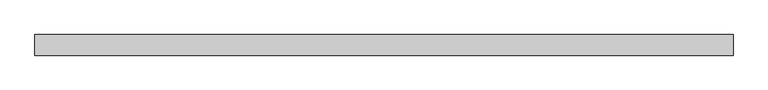
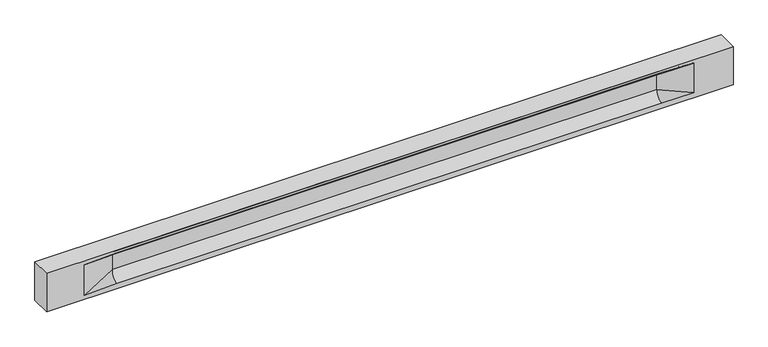
"""IFC4 building model written with IfcOpenShell, lengths in millimetres: beam geometry."""

from ifc_helpers import new_model, si_unit, frame, origin, place, context, project, spatial, polyline, circle_curve, source, transform, mapped, element, save
from ifc_brep_helpers import plane_surface, revolved_surface, spline_surface, advanced_brep


def beam_a02b7bf1(model_context):
    return source(origin(), model_context, "Body", "AdvancedBrep", [
        advanced_brep(
        [(8465.0, -250.0, 500.0), (8465.0, -250.0, -500.0), (8465.0, 250.0, -500.0), (8465.0, 250.0, 500.0), (-8465.0, -250.0, 500.0), (-8465.0, -250.0, -500.0), (7490.0, -250.0, -362.0), (6690.0, -250.0, -360.0), (-6735.0, -250.0, -360.0), (-7535.0, -250.0, -400.0), (-7535.0, -250.0, 400.0), (-6735.0, -250.0, 435.0), (6690.0, -250.0, 435.0), (7490.0, -250.0, 400.0), (-8465.0, 250.0, -500.0), (-8465.0, 250.0, 500.0), (7490.0, 250.0, 400.0), (6690.0, 250.0, 435.0), (-6735.0, 250.0, 435.0), (-7535.0, 250.0, 400.0), (-7535.0, 250.0, -400.0), (-6735.0, 250.0, -360.0), (6690.0, 250.0, -360.0), (7490.0, 250.0, -362.0), (6690.0, 155.0, 405.0), (-6735.0, 155.0, 405.0), (6690.0, 60.0, 262.777021), (-6735.0, 60.0, 262.777021), (6690.0, 60.0, -120.0), (-6735.0, 60.0, -120.0), (6690.0, -60.0, -120.0), (-6735.0, -60.0, -120.0), (6690.0, -60.0, 262.777021), (-6735.0, -60.0, 262.777021), (6690.0, -155.0, 405.0), (-6735.0, -155.0, 405.0)],
        [
            (0, 1),
            (1, 2),
            (2, 3),
            (3, 0),
            (0, 4),
            (4, 5),
            (5, 1),
            (6, 7),
            (7, 8),
            (8, 9),
            (9, 10),
            (10, 11),
            (11, 12),
            (12, 13),
            (13, 6),
            (5, 14),
            (14, 2),
            (14, 15),
            (15, 3),
            (16, 17),
            (17, 18),
            (18, 19),
            (19, 20),
            (20, 21),
            (21, 22),
            (22, 23),
            (23, 16),
            (15, 4),
            (17, 24),
            (24, 25),
            (25, 18),
            (24, 26, circle_curve(frame((6690.0, 213.9598725, 262.777021), z_axis=(1.0, 0.0, 0.0), x_axis=(0.0, 1.0, 0.0)), 153.9598725)),
            (26, 27),
            (27, 25, circle_curve(frame((-6735.0, 213.9598725, 262.777021), z_axis=(-1.0, 0.0, 0.0), x_axis=(0.0, 1.0, 0.0)), 153.9598725)),
            (26, 28),
            (28, 29),
            (29, 27),
            (28, 22, circle_curve(frame((6690.0, 306.5789474, -120.0), z_axis=(1.0, 0.0, 0.0), x_axis=(0.0, 1.0, 0.0)), 246.5789474)),
            (21, 29, circle_curve(frame((-6735.0, 306.5789474, -120.0), z_axis=(-1.0, 0.0, 0.0), x_axis=(0.0, 1.0, 0.0)), 246.5789474)),
            (7, 30, circle_curve(frame((6690.0, -306.5789474, -120.0), z_axis=(1.0, 0.0, 0.0), x_axis=(0.0, 1.0, 0.0)), 246.5789474)),
            (30, 31),
            (31, 8, circle_curve(frame((-6735.0, -306.5789474, -120.0), z_axis=(-1.0, 0.0, 0.0), x_axis=(0.0, 1.0, 0.0)), 246.5789474)),
            (30, 32),
            (32, 33),
            (33, 31),
            (32, 34, circle_curve(frame((6690.0, -213.9598725, 262.777021), z_axis=(1.0, 0.0, 0.0), x_axis=(0.0, 1.0, 0.0)), 153.9598725)),
            (34, 35),
            (35, 33, circle_curve(frame((-6735.0, -213.9598725, 262.777021), z_axis=(-1.0, 0.0, 0.0), x_axis=(0.0, 1.0, 0.0)), 153.9598725)),
            (34, 12),
            (11, 35),
            (27, 19),
            (19, 25),
            (10, 35),
            (10, 33),
            (9, 31),
            (20, 29),
            (34, 13),
            (32, 13),
            (30, 6),
            (28, 23),
            (26, 16),
            (24, 16),
        ],
        [
            plane_surface(frame((8465.0, 0.0, 0.0), z_axis=(1.0, 0.0, 0.0), x_axis=(0.0, 0.0, 1.0))),
            plane_surface(frame((8465.0, -250.0, 500.0), z_axis=(0.0, -1.0, 0.0), x_axis=(-1.0, 0.0, 0.0))),
            plane_surface(frame((8465.0, -250.0, -500.0), z_axis=(0.0, 0.0, -1.0), x_axis=(-1.0, 0.0, 0.0))),
            plane_surface(frame((8465.0, 250.0, -500.0), z_axis=(0.0, 1.0, 0.0), x_axis=(-1.0, 0.0, 0.0))),
            plane_surface(frame((8465.0, 250.0, 500.0), z_axis=(0.0, 0.0, 1.0), x_axis=(-1.0, 0.0, 0.0))),
            plane_surface(frame((-6735.0, 250.0, 435.0), z_axis=(0.0, 0.30113136793710954, -0.9535826651341378), x_axis=(1.0, 0.0, 0.0))),
            revolved_surface(polyline([(6690.0, 367.919745, 262.777021), (-6735.0, 367.919745, 262.777021)]), (-6735.0, 213.9598725, 262.777021), (1.0, 0.0, 0.0)),
            plane_surface(frame((-6735.0, 60.0, 262.777021), z_axis=(0.0, 1.0, 0.0), x_axis=(1.0, 0.0, 0.0))),
            revolved_surface(polyline([(6690.0, 553.1578948, -120.0), (-6735.0, 553.1578948, -120.0)]), (-6735.0, 306.5789474, -120.0), (1.0, 0.0, 0.0)),
            revolved_surface(polyline([(6690.0, -60.0, -120.0), (-6735.0, -60.0, -120.0)]), (-6735.0, -306.5789474, -120.0), (1.0, 0.0, 0.0)),
            plane_surface(frame((-6735.0, -60.0, -120.0), z_axis=(0.0, -1.0, 0.0), x_axis=(1.0, 0.0, 0.0))),
            revolved_surface(polyline([(6690.0, -60.0, 262.777021), (-6735.0, -60.0, 262.777021)]), (-6735.0, -213.9598725, 262.777021), (1.0, 0.0, 0.0)),
            plane_surface(frame((-6735.0, -155.0, 405.0), z_axis=(0.0, -0.30113136793710693, -0.9535826651341387), x_axis=(1.0, 0.0, 0.0))),
            spline_surface(2, 1, [[(-7535.0, 250.0, 400.0), (-6735.0, 60.0, 262.777021)], [(-7535.0, 250.0, 400.0), (-6735.0, 59.99999995452379, 365.6168572954922)], [(-7535.0, 250.0, 400.0), (-6735.0, 155.0, 405.0)]], [3, 3], [2, 2], [0.0, 1.0], [0.0, 1.0], weights=[[1.0, 1.0], [0.8315515921160737, 0.8315515921160737], [1.0, 1.0]]),
            plane_surface(frame((-7535.0, 250.0, 400.0), z_axis=(0.041682982855687487, 0.30086965068766386, -0.9527538938442265), x_axis=(0.0, 0.9535826651341378, 0.30113136793710954))),
            plane_surface(frame((-7535.0, -250.0, 400.0), z_axis=(0.041682982855687514, -0.30086965068766125, -0.9527538938442274), x_axis=(0.0, 0.9535826651341387, -0.30113136793710693))),
            spline_surface(2, 1, [[(-7535.0, -250.0, 400.0), (-6735.0, -155.0, 405.0)], [(-7535.0, -250.0, 400.0), (-6735.0, -60.00000008030692, 365.6168572114734)], [(-7535.0, -250.0, 400.0), (-6735.0, -60.0, 262.777021)]], [3, 3], [2, 2], [0.0, 1.0], [0.0, 1.0], weights=[[1.0, 1.0], [0.8315515924557569, 0.8315515924557569], [1.0, 1.0]]),
            plane_surface(frame((-7535.0, -250.0, 0.0), z_axis=(0.23107243079589818, -0.97293655071956, 0.0), x_axis=(0.0, 0.0, -1.0))),
            spline_surface(2, 1, [[(-7535.0, -250.0, -400.0), (-6735.0, -60.0, -120.0)], [(-7535.0, -250.0, -400.0), (-6735.0, -59.99999998020837, -315.20833333333337)], [(-7535.0, -250.0, -400.0), (-6735.0, -250.0, -360.0)]], [3, 3], [2, 2], [0.0, 1.0], [0.0, 1.0], weights=[[1.0, 1.0], [0.7840458244617614, 0.7840458244617614], [1.0, 1.0]]),
            spline_surface(2, 1, [[(-7535.0, 250.0, -400.0), (-6735.0, 250.0, -360.0)], [(-7535.0, 250.0, -400.0), (-6735.0, 60.00000002887427, -315.20833329480604)], [(-7535.0, 250.0, -400.0), (-6735.0, 60.0, -120.0)]], [3, 3], [2, 2], [0.0, 1.0], [0.0, 1.0], weights=[[1.0, 1.0], [0.7840458245391329, 0.7840458245391329], [1.0, 1.0]]),
            plane_surface(frame((-7535.0, 250.0, 0.0), z_axis=(0.23107243079589385, 0.972936550719561, 0.0), x_axis=(0.0, 0.0, 1.0))),
            plane_surface(frame((-8465.0, 0.0, 0.0), z_axis=(-1.0, 0.0, 0.0), x_axis=(0.0, 0.0, 1.0))),
            plane_surface(frame((6690.0, -202.5, 420.0), z_axis=(-0.041682982855687396, -0.30086965068766125, -0.9527538938442274), x_axis=(0.0, 0.9535826651341387, -0.30113136793710693))),
            spline_surface(2, 1, [[(6690.0, -155.0, 405.0), (7490.0, -250.0, 400.0)], [(6690.0, -60.00000008030692, 365.6168572114734), (7490.0, -250.0, 400.0)], [(6690.0, -60.0, 262.777021), (7490.0, -250.0, 400.0)]], [3, 3], [2, 2], [0.0, 1.0], [0.0, 1.0], weights=[[1.0, 1.0], [0.8315515924557569, 0.8315515924557569], [1.0, 1.0]]),
            plane_surface(frame((6690.0, -60.0, 71.3885105), z_axis=(-0.23107243079589707, -0.9729365507195603, 0.0), x_axis=(0.0, 0.0, -1.0))),
            spline_surface(2, 1, [[(6690.0, -60.0, -120.0), (7490.0, -250.0, -362.0)], [(6690.0, -59.99999998020837, -315.20833333333337), (7490.0, -250.0, -362.0)], [(6690.0, -250.0, -360.0), (7490.0, -250.0, -362.0)]], [3, 3], [2, 2], [0.0, 1.0], [0.0, 1.0], weights=[[1.0, 1.0], [0.7840458244617614, 0.7840458244617614], [1.0, 1.0]]),
            spline_surface(2, 1, [[(6690.0, 250.0, -360.0), (7490.0, 250.0, -362.0)], [(6690.0, 60.00000002887427, -315.20833329480604), (7490.0, 250.0, -362.0)], [(6690.0, 60.0, -120.0), (7490.0, 250.0, -362.0)]], [3, 3], [2, 2], [0.0, 1.0], [0.0, 1.0], weights=[[1.0, 1.0], [0.7840458245391329, 0.7840458245391329], [1.0, 1.0]]),
            plane_surface(frame((6690.0, 60.0, 71.3885105), z_axis=(-0.23107243079589063, 0.9729365507195618, 0.0), x_axis=(0.0, 0.0, 1.0))),
            spline_surface(2, 1, [[(6690.0, 60.0, 262.777021), (7490.0, 250.0, 400.0)], [(6690.0, 59.99999995452379, 365.6168572954922), (7490.0, 250.0, 400.0)], [(6690.0, 155.0, 405.0), (7490.0, 250.0, 400.0)]], [3, 3], [2, 2], [0.0, 1.0], [0.0, 1.0], weights=[[1.0, 1.0], [0.8315515921160737, 0.8315515921160737], [1.0, 1.0]]),
            plane_surface(frame((6690.0, 202.5, 420.0), z_axis=(-0.04168298285568666, 0.30086965068766386, -0.9527538938442265), x_axis=(0.0, 0.9535826651341378, 0.30113136793710954))),
        ],
        [
            (0, [[1, 2, 3, 4]]),
            (1, [[-1, 5, 6, 7], [8, 9, 10, 11, 12, 13, 14, 15]]),
            (2, [[-2, -7, 16, 17]]),
            (3, [[-3, -17, 18, 19], [20, 21, 22, 23, 24, 25, 26, 27]]),
            (4, [[-5, -4, -19, 28]]),
            (5, [[-21, 29, 30, 31]]),
            (6, [[-30, 32, 33, 34]]),
            (7, [[-33, 35, 36, 37]]),
            (8, [[-36, 38, -25, 39]]),
            (9, [[-9, 40, 41, 42]]),
            (10, [[-41, 43, 44, 45]]),
            (11, [[-44, 46, 47, 48]]),
            (12, [[-47, 49, -13, 50]]),
            (13, [[51, 52, -34]]),
            (14, [[-52, -22, -31]]),
            (15, [[-12, 53, -50]]),
            (16, [[-53, 54, -48]]),
            (17, [[-54, -11, 55, -45]]),
            (18, [[-55, -10, -42]]),
            (19, [[-24, 56, -39]]),
            (20, [[-51, -37, -56, -23]]),
            (21, [[-28, -18, -16, -6]]),
            (22, [[-14, -49, 57]]),
            (23, [[-57, -46, 58]]),
            (24, [[-58, -43, 59, -15]]),
            (25, [[-59, -40, -8]]),
            (26, [[-26, -38, 60]]),
            (27, [[-60, -35, 61, -27]]),
            (28, [[-61, -32, 62]]),
            (29, [[-62, -29, -20]]),
        ],
    ),
    ])


if __name__ == "__main__":
    model = new_model("IFC4")
    model_context = context("Model", 3, world=origin())
    ifc_project = project(units=[si_unit("LENGTHUNIT", "METRE", prefix="MILLI")], contexts=[model_context])
    site = spatial("IfcSite", under=ifc_project)
    building = spatial("IfcBuilding", under=site)
    placement = place(None, origin())
    beam_shape = beam_a02b7bf1(model_context)
    element("IfcBeam", 1, at=placement, inside=building, context=model_context, shape_type="MappedRepresentation", body=[
        mapped(beam_shape, transform((0.0, 0.0, 0.0), x_axis=(1.0, 0.0, 0.0), y_axis=(0.0, 1.0, 0.0), z_axis=(0.0, 0.0, 1.0))),
    ])
    save(model, "model.ifc")
